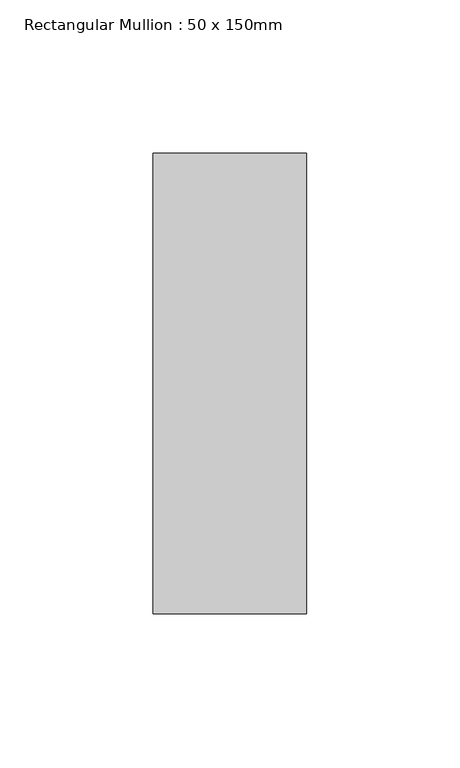
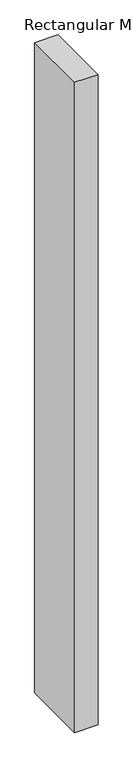
"""IFC4 building model written with IfcOpenShell, lengths in millimetres: member geometry, Rectangular Mullion : 50 x 150mm."""

from ifc_helpers import new_model, si_unit, frame, origin, place, context, project, spatial, polyline, outline, extrude, source, transform, mapped, element, save


def rectangular_mullion_50_x_150mm_5f8c5138(model_context):
    return source(origin(), model_context, "Body", "SweptSolid", [
        extrude(outline(polyline([(0.0, 75.0), (0.0, -75.0), (-50.0, -75.0), (-50.0, 75.0), (0.0, 75.0)])), frame((0.0, 0.0, -1486.638566), z_axis=(0.0, 0.0, 1.0), x_axis=(1.0, 0.0, 0.0)), (0.0, 0.0, 1.0), 1486.638566),
    ])


if __name__ == "__main__":
    model = new_model("IFC4")
    model_context = context("Model", 3, world=origin())
    ifc_project = project(units=[si_unit("LENGTHUNIT", "METRE", prefix="MILLI")], contexts=[model_context])
    site = spatial("IfcSite", under=ifc_project)
    building = spatial("IfcBuilding", under=site)
    placement = place(None, origin())
    rectangular_mullion_50_x_150mm_shape = rectangular_mullion_50_x_150mm_5f8c5138(model_context)
    element("IfcMember", 1, ObjectType="Rectangular Mullion : 50 x 150mm", at=placement, inside=building, context=model_context, shape_type="MappedRepresentation", body=[
        mapped(rectangular_mullion_50_x_150mm_shape, transform((0.0, 0.0, 0.0), x_axis=(1.0, 0.0, 0.0), y_axis=(0.0, 1.0, 0.0), z_axis=(0.0, 0.0, 1.0))),
    ])
    save(model, "model.ifc")
